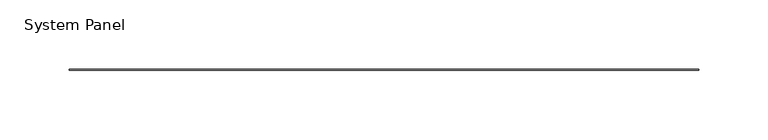
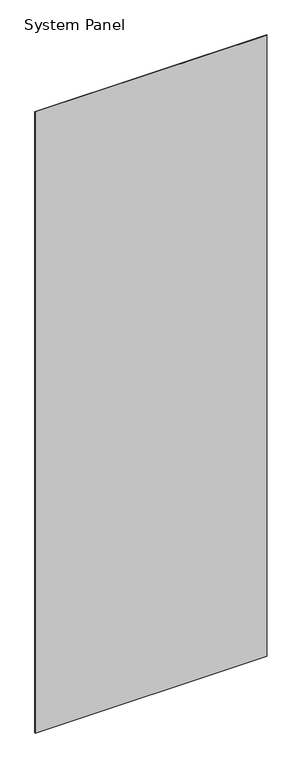
"""IFC4 building model written with IfcOpenShell, lengths in millimetres: plate geometry, System Panel."""

from ifc_helpers import new_model, si_unit, origin, origin_with_axes, place, context, project, spatial, polyline, outline, extrude, source, transform, mapped, element, save


def system_panel_11dab24d(model_context):
    return source(origin(), model_context, "Body", "SweptSolid", [
        extrude(outline(polyline([(226.8855, -0.2976563), (-226.8855, -0.2976563), (-226.8855, 0.2976563), (226.8855, 0.2976563), (226.8855, -0.2976563)])), origin_with_axes(), (0.0, 0.0, 1.0), 1285.875),
    ])


if __name__ == "__main__":
    model = new_model("IFC4")
    model_context = context("Model", 3, world=origin())
    ifc_project = project(units=[si_unit("LENGTHUNIT", "METRE", prefix="MILLI")], contexts=[model_context])
    site = spatial("IfcSite", under=ifc_project)
    building = spatial("IfcBuilding", under=site)
    placement = place(None, origin())
    system_panel_shape = system_panel_11dab24d(model_context)
    element("IfcPlate", 1, ObjectType="System Panel", at=placement, inside=building, context=model_context, shape_type="MappedRepresentation", body=[
        mapped(system_panel_shape, transform((0.0, 0.0, 0.0), x_axis=(1.0, 0.0, 0.0), y_axis=(0.0, 1.0, 0.0), z_axis=(0.0, 0.0, 1.0))),
    ])
    save(model, "model.ifc")
